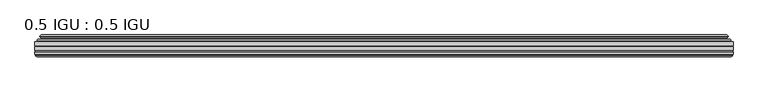
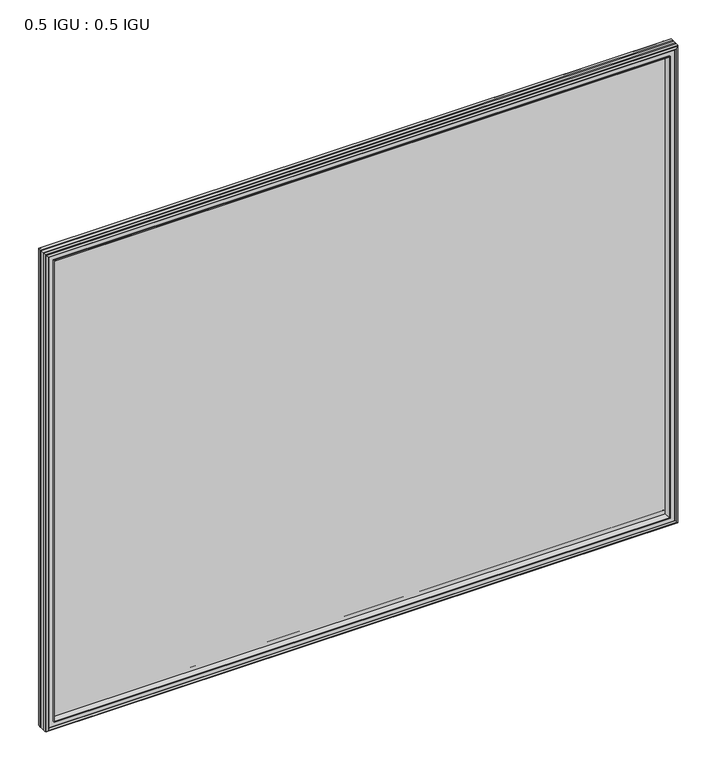
"""IFC4 building model written with IfcOpenShell, lengths in millimetres: plate geometry, 0.5 IGU : 0.5 IGU."""

from ifc_helpers import new_model, si_unit, frame, origin, place, context, project, spatial, polyline, ellipse_curve, outline, extrude, faceted_brep, source, transform, mapped, element, save
from ifc_brep_helpers import plane_surface, cylinder_surface, revolved_surface, advanced_brep


def plate_0_5_igu_0_5_igu_dd29b501(model_context):
    return source(origin(), model_context, "Body", "SolidModel", [
        extrude(outline(polyline([(547.70485, -55.82285), (547.70485, -61.48705), (-547.690675, -61.48705), (-547.690675, -55.82285), (547.70485, -55.82285)])), frame((0.0, 0.0, -14.2875), z_axis=(0.0, 0.0, 1.0), x_axis=(1.0, 0.0, 0.0)), (0.0, 0.0, 1.0), 873.1287979),
        extrude(outline(polyline([(-547.690675, -69.05625), (-547.690675, -63.39205), (547.70485, -63.39205), (547.70485, -69.05625), (-547.690675, -69.05625)])), frame((0.0, 0.0, -14.2875), z_axis=(0.0, 0.0, 1.0), x_axis=(1.0, 0.0, 0.0)), (0.0, 0.0, 1.0), 873.1287979),
        advanced_brep(
        [(-543.5881376, -54.3724927, 854.7349626), (-542.5436128, -51.60645, 853.6904378), (-542.5436128, -51.60645, -9.1404378), (-543.5881376, -54.3724927, -10.1849626), (-541.951692, -55.82285, 853.098517), (-541.951692, -55.82285, -8.548517), (-533.403175, -45.63745, 844.55), (-529.8204511, -55.82285, 840.9672761), (-529.8204511, -55.82285, 3.5827239), (-533.403175, -45.63745, 0.0), (-538.5890859, -46.8185491, 849.7359109), (-538.5890859, -46.8185491, -5.1859109), (-537.7920643, -44.8183085, 848.9388893), (-537.7920643, -44.8183085, -4.3888893), (-540.0757861, -47.135817, 851.2226111), (-540.0757861, -47.135817, -6.6726111), (-540.0757861, -47.8489429, 851.2226111), (-540.0757861, -47.8489429, -6.6726111), (-537.7920643, -50.1664515, 848.9388893), (-537.7920643, -50.1664515, -4.3888893), (-538.5814251, -48.1854367, 849.7282501), (-538.5814251, -48.1854367, -5.1782501), (-536.0576129, -48.027045, 847.2044379), (-536.0576129, -48.027045, -2.6544379), (-535.0317967, -48.7147544, 846.1786217), (-535.0317967, -48.7147544, -1.6286217), (-535.1502038, -50.1092231, 846.2970288), (-535.1502038, -50.1092231, -1.7470288), (-535.7519498, -51.60645, 846.8987748), (-535.7519498, -51.60645, -2.3487748), (542.5436128, -51.60645, -9.1404378), (543.5881376, -54.3724927, -10.1849626), (541.951692, -55.82285, -8.548517), (529.8204511, -55.82285, 3.5827239), (533.403175, -45.63745, 0.0), (538.5890859, -46.8185491, -5.1859109), (537.7920643, -44.8183085, -4.3888893), (540.0757861, -47.135817, -6.6726111), (540.0757861, -47.8489429, -6.6726111), (537.7920643, -50.1664515, -4.3888893), (538.5814251, -48.1854367, -5.1782501), (536.0576129, -48.027045, -2.6544379), (535.0317967, -48.7147544, -1.6286217), (535.1502038, -50.1092231, -1.7470288), (535.7519498, -51.60645, -2.3487748), (542.5436128, -51.60645, 853.6904378), (543.5881376, -54.3724927, 854.7349626), (541.951692, -55.82285, 853.098517), (529.8204511, -55.82285, 840.9672761), (533.403175, -45.63745, 844.55), (538.5890859, -46.8185491, 849.7359109), (537.7920643, -44.8183085, 848.9388893), (540.0757861, -47.135817, 851.2226111), (540.0757861, -47.8489429, 851.2226111), (537.7920643, -50.1664515, 848.9388893), (538.5814251, -48.1854367, 849.7282501), (536.0576129, -48.027045, 847.2044379), (535.0317967, -48.7147544, 846.1786217), (535.1502038, -50.1092231, 846.2970288), (535.7519498, -51.60645, 846.8987748)],
        [
            (0, 1, ellipse_curve(frame((-542.5352453, -53.1898501, 853.6820703), z_axis=(-0.7071067811865475, 0.0, -0.7071067811865475), x_axis=(-0.7071067811865474, 0.0, 0.7071067811865476)), 2.2392971, 1.5834222)),
            (1, 2),
            (2, 3, ellipse_curve(frame((-542.5352453, -53.1898501, -9.1320703), z_axis=(-0.7071067811865475, 0.0, 0.7071067811865475), x_axis=(0.7071067811865474, 0.0, 0.7071067811865476)), 2.2392971, 1.5834222)),
            (3, 0),
            (4, 0),
            (3, 5),
            (5, 4),
            (6, 7, ellipse_curve(frame((-501.123421, -40.0058297, 812.270246), z_axis=(0.7071067811865475, 0.0, 0.7071067811865475), x_axis=(0.7071067811865474, 0.0, -0.7071067811865476)), 46.3399971, 32.7673262)),
            (7, 8),
            (8, 9, ellipse_curve(frame((-501.123421, -40.0058297, 32.279754), z_axis=(0.7071067811865475, 0.0, -0.7071067811865475), x_axis=(-0.7071067811865474, 0.0, -0.7071067811865476)), 46.3399971, 32.7673262)),
            (9, 6),
            (10, 6),
            (9, 11),
            (11, 10),
            (12, 10),
            (11, 13),
            (13, 12),
            (14, 12),
            (13, 15),
            (15, 14),
            (16, 14, ellipse_curve(frame((-539.7139479, -47.49238, 850.8607729), z_axis=(-0.7071067811865475, 0.0, -0.7071067811865475), x_axis=(-0.7071067811865474, 0.0, 0.7071067811865476)), 0.7184205, 0.508)),
            (15, 17, ellipse_curve(frame((-539.7139479, -47.49238, -6.3107729), z_axis=(-0.7071067811865475, 0.0, 0.7071067811865475), x_axis=(0.7071067811865474, 0.0, 0.7071067811865476)), 0.7184205, 0.508)),
            (17, 16),
            (18, 16),
            (17, 19),
            (19, 18),
            (20, 18),
            (19, 21),
            (21, 20),
            (22, 20),
            (21, 23),
            (23, 22),
            (24, 22, ellipse_curve(frame((-535.993975, -49.04105, 847.1408), z_axis=(0.7071067811865475, 0.0, 0.7071067811865475), x_axis=(0.7071067811865474, 0.0, -0.7071067811865476)), 1.436841, 1.016)),
            (23, 25, ellipse_curve(frame((-535.993975, -49.04105, -2.5908), z_axis=(0.7071067811865475, 0.0, -0.7071067811865475), x_axis=(-0.7071067811865474, 0.0, -0.7071067811865476)), 1.436841, 1.016)),
            (25, 24),
            (26, 24, ellipse_curve(frame((-537.365575, -49.21885, 848.5124), z_axis=(0.7071067811865475, 0.0, 0.7071067811865475), x_axis=(0.7071067811865474, 0.0, -0.7071067811865476)), 3.3765763, 2.3876)),
            (25, 27, ellipse_curve(frame((-537.365575, -49.21885, -3.9624), z_axis=(0.7071067811865475, 0.0, -0.7071067811865475), x_axis=(-0.7071067811865474, 0.0, -0.7071067811865476)), 3.3765763, 2.3876)),
            (27, 26),
            (28, 26),
            (27, 29),
            (29, 28),
            (2, 30),
            (30, 31, ellipse_curve(frame((542.5352453, -53.1898501, -9.1320703), z_axis=(-0.7071067811865475, 0.0, -0.7071067811865475), x_axis=(-0.7071067811865476, 0.0, 0.7071067811865474)), 2.2392971, 1.5834222)),
            (31, 3),
            (31, 32),
            (32, 5),
            (8, 33),
            (33, 34, ellipse_curve(frame((501.123421, -40.0058297, 32.279754), z_axis=(0.7071067811865475, 0.0, 0.7071067811865475), x_axis=(0.7071067811865476, 0.0, -0.7071067811865474)), 46.3399971, 32.7673262)),
            (34, 9),
            (34, 35),
            (35, 11),
            (35, 36),
            (36, 13),
            (36, 37),
            (37, 15),
            (37, 38, ellipse_curve(frame((539.7139479, -47.49238, -6.3107729), z_axis=(-0.7071067811865475, 0.0, -0.7071067811865475), x_axis=(-0.7071067811865476, 0.0, 0.7071067811865474)), 0.7184205, 0.508)),
            (38, 17),
            (38, 39),
            (39, 19),
            (39, 40),
            (40, 21),
            (40, 41),
            (41, 23),
            (41, 42, ellipse_curve(frame((535.993975, -49.04105, -2.5908), z_axis=(0.7071067811865475, 0.0, 0.7071067811865475), x_axis=(0.7071067811865476, 0.0, -0.7071067811865474)), 1.436841, 1.016)),
            (42, 25),
            (42, 43, ellipse_curve(frame((537.365575, -49.21885, -3.9624), z_axis=(0.7071067811865475, 0.0, 0.7071067811865475), x_axis=(0.7071067811865476, 0.0, -0.7071067811865474)), 3.3765763, 2.3876)),
            (43, 27),
            (43, 44),
            (44, 29),
            (30, 45),
            (45, 46, ellipse_curve(frame((542.5352453, -53.1898501, 853.6820703), z_axis=(0.7071067811865475, 0.0, -0.7071067811865475), x_axis=(-0.7071067811865474, 0.0, -0.7071067811865476)), 2.2392971, 1.5834222)),
            (46, 31),
            (46, 47),
            (47, 32),
            (33, 48),
            (48, 49, ellipse_curve(frame((501.123421, -40.0058297, 812.270246), z_axis=(-0.7071067811865475, 0.0, 0.7071067811865475), x_axis=(0.7071067811865474, 0.0, 0.7071067811865476)), 46.3399971, 32.7673262)),
            (49, 34),
            (49, 50),
            (50, 35),
            (50, 51),
            (51, 36),
            (51, 52),
            (52, 37),
            (52, 53, ellipse_curve(frame((539.7139479, -47.49238, 850.8607729), z_axis=(0.7071067811865475, 0.0, -0.7071067811865475), x_axis=(-0.7071067811865474, 0.0, -0.7071067811865476)), 0.7184205, 0.508)),
            (53, 38),
            (53, 54),
            (54, 39),
            (54, 55),
            (55, 40),
            (55, 56),
            (56, 41),
            (56, 57, ellipse_curve(frame((535.993975, -49.04105, 847.1408), z_axis=(-0.7071067811865475, 0.0, 0.7071067811865475), x_axis=(0.7071067811865474, 0.0, 0.7071067811865476)), 1.436841, 1.016)),
            (57, 42),
            (57, 58, ellipse_curve(frame((537.365575, -49.21885, 848.5124), z_axis=(-0.7071067811865475, 0.0, 0.7071067811865475), x_axis=(0.7071067811865474, 0.0, 0.7071067811865476)), 3.3765763, 2.3876)),
            (58, 43),
            (58, 59),
            (59, 44),
            (45, 1),
            (0, 46),
            (4, 47),
            (7, 48),
            (6, 49),
            (10, 50),
            (12, 51),
            (14, 52),
            (16, 53),
            (18, 54),
            (20, 55),
            (22, 56),
            (24, 57),
            (26, 58),
            (28, 59),
        ],
        [
            cylinder_surface(frame((-542.5352453, -53.1898501, 876.3), z_axis=(0.0, 0.0, 1.0), x_axis=(-1.0, 0.0, 0.0)), 1.5834222),
            plane_surface(frame((-543.5881376, -54.3724927, 854.7349626), z_axis=(-0.6632745773184306, -0.7483761320907135, 0.0), x_axis=(0.0, 0.0, -1.0))),
            revolved_surface(polyline([(-533.8907472, -40.0058297, -0.48757218957496207), (-533.8907472, -40.0058297, 845.037572189575)]), (-501.123421, -40.0058297, 876.3), (0.0, 0.0, -1.0)),
            plane_surface(frame((-533.403175, -45.63745, 844.55), z_axis=(-0.22206498442787428, 0.975031867525902, 0.0), x_axis=(0.0, 0.0, -1.0))),
            plane_surface(frame((-538.5890859, -46.8185491, 849.7359109), z_axis=(0.928968268563027, -0.37015936568323066, 0.0), x_axis=(0.0, 0.0, -1.0))),
            plane_surface(frame((-537.7920643, -44.8183085, 848.9388893), z_axis=(-0.7122798501733482, 0.7018955869907096, 0.0), x_axis=(0.0, 0.0, -1.0))),
            cylinder_surface(frame((-539.7139479, -47.49238, 876.3), z_axis=(0.0, 0.0, 1.0), x_axis=(-1.0, 0.0, 0.0)), 0.508),
            plane_surface(frame((-540.0757861, -47.8489429, 851.2226111), z_axis=(-0.7122798501732925, -0.701895586990766, 0.0), x_axis=(0.0, 0.0, -1.0))),
            plane_surface(frame((-537.7920643, -50.1664515, 848.9388893), z_axis=(0.9289682685628707, 0.3701593656836228, 0.0), x_axis=(0.0, 0.0, -1.0))),
            plane_surface(frame((-538.5814251, -48.1854367, 849.7282501), z_axis=(0.06263570119284978, -0.9980364567169279, 0.0), x_axis=(0.0, 0.0, -1.0))),
            revolved_surface(polyline([(-537.0099749999999, -49.04105, -3.606800014586838), (-537.0099749999999, -49.04105, 848.1568000145869)]), (-535.993975, -49.04105, 876.3), (0.0, 0.0, -1.0)),
            revolved_surface(polyline([(-539.753175, -49.21885, -6.3499999989237494), (-539.753175, -49.21885, 850.8999999989237)]), (-537.365575, -49.21885, 876.3), (0.0, 0.0, -1.0)),
            plane_surface(frame((-535.1502038, -50.1092231, 846.2970288), z_axis=(-0.9278652925428184, 0.3729155385532094, 0.0), x_axis=(0.0, 0.0, -1.0))),
            cylinder_surface(frame((-565.153175, -53.1898501, -9.1320703), z_axis=(-1.0, 0.0, 0.0), x_axis=(0.0, 0.0, -1.0)), 1.5834222),
            plane_surface(frame((-543.5881376, -54.3724927, -10.1849626), z_axis=(0.0, -0.7483761320907157, -0.6632745773184283), x_axis=(1.0, 0.0, 0.0))),
            revolved_surface(polyline([(533.8907471895751, -40.0058297, -0.48757220000000245), (-533.890747189575, -40.0058297, -0.48757220000000245)]), (-565.153175, -40.0058297, 32.279754), (1.0, 0.0, 0.0)),
            plane_surface(frame((-533.403175, -45.63745, 0.0), z_axis=(0.0, 0.9750318675259013, -0.22206498442787745), x_axis=(1.0, 0.0, 0.0))),
            plane_surface(frame((-538.5890859, -46.8185491, -5.1859109), z_axis=(0.0, -0.37015936568322766, 0.9289682685630283), x_axis=(1.0, 0.0, 0.0))),
            plane_surface(frame((-537.7920643, -44.8183085, -4.3888893), z_axis=(0.0, 0.7018955869907073, -0.7122798501733504), x_axis=(1.0, 0.0, 0.0))),
            cylinder_surface(frame((-565.153175, -47.49238, -6.3107729), z_axis=(-1.0, 0.0, 0.0), x_axis=(0.0, 0.0, -1.0)), 0.508),
            plane_surface(frame((-540.0757861, -47.8489429, -6.6726111), z_axis=(0.0, -0.7018955869907684, -0.7122798501732903), x_axis=(1.0, 0.0, 0.0))),
            plane_surface(frame((-537.7920643, -50.1664515, -4.3888893), z_axis=(0.0, 0.37015936568362584, 0.9289682685628696), x_axis=(1.0, 0.0, 0.0))),
            plane_surface(frame((-538.5814251, -48.1854367, -5.1782501), z_axis=(0.0, -0.9980364567169276, 0.06263570119285301), x_axis=(1.0, 0.0, 0.0))),
            revolved_surface(polyline([(537.0099750145868, -49.04105, -3.6068000000000002), (-537.0099750145869, -49.04105, -3.6068000000000002)]), (-565.153175, -49.04105, -2.5908), (1.0, 0.0, 0.0)),
            revolved_surface(polyline([(539.753174998924, -49.21885, -6.35), (-539.7531749989238, -49.21885, -6.35)]), (-565.153175, -49.21885, -3.9624), (1.0, 0.0, 0.0)),
            plane_surface(frame((-535.1502038, -50.1092231, -1.7470288), z_axis=(0.0, 0.3729155385532064, -0.9278652925428196), x_axis=(1.0, 0.0, 0.0))),
            cylinder_surface(frame((542.5352453, -53.1898501, -31.75), z_axis=(0.0, 0.0, -1.0), x_axis=(1.0, 0.0, 0.0)), 1.5834222),
            plane_surface(frame((543.5881376, -54.3724927, -10.1849626), z_axis=(0.6632745773184259, -0.7483761320907178, 0.0), x_axis=(0.0, 0.0, 1.0))),
            revolved_surface(polyline([(533.8907472, -40.0058297, 845.037572189575), (533.8907472, -40.0058297, -0.48757218957494075)]), (501.123421, -40.0058297, -31.75), (0.0, 0.0, 1.0)),
            plane_surface(frame((533.403175, -45.63745, 0.0), z_axis=(0.22206498442788059, 0.9750318675259005, 0.0), x_axis=(0.0, 0.0, 1.0))),
            plane_surface(frame((538.5890859, -46.8185491, -5.1859109), z_axis=(-0.9289682685630295, -0.37015936568322466, 0.0), x_axis=(0.0, 0.0, 1.0))),
            plane_surface(frame((537.7920643, -44.8183085, -4.3888893), z_axis=(0.7122798501733526, 0.701895586990705, 0.0), x_axis=(0.0, 0.0, 1.0))),
            cylinder_surface(frame((539.7139479, -47.49238, -31.75), z_axis=(0.0, 0.0, -1.0), x_axis=(1.0, 0.0, 0.0)), 0.508),
            plane_surface(frame((540.0757861, -47.8489429, -6.6726111), z_axis=(0.712279850173288, -0.7018955869907706, 0.0), x_axis=(0.0, 0.0, 1.0))),
            plane_surface(frame((537.7920643, -50.1664515, -4.3888893), z_axis=(-0.9289682685628684, 0.37015936568362884, 0.0), x_axis=(0.0, 0.0, 1.0))),
            plane_surface(frame((538.5814251, -48.1854367, -5.1782501), z_axis=(-0.06263570119285625, -0.9980364567169274, 0.0), x_axis=(0.0, 0.0, 1.0))),
            revolved_surface(polyline([(537.0099749999999, -49.04105, 848.1568000145869), (537.0099749999999, -49.04105, -3.606800014586863)]), (535.993975, -49.04105, -31.75), (0.0, 0.0, 1.0)),
            revolved_surface(polyline([(539.753175, -49.21885, 850.8999999989237), (539.753175, -49.21885, -6.349999998923781)]), (537.365575, -49.21885, -31.75), (0.0, 0.0, 1.0)),
            plane_surface(frame((535.1502038, -50.1092231, -1.7470288), z_axis=(0.9278652925428208, 0.3729155385532034, 0.0), x_axis=(0.0, 0.0, 1.0))),
            cylinder_surface(frame((565.153175, -53.1898501, 853.6820703), z_axis=(1.0, 0.0, 0.0), x_axis=(0.0, 0.0, 1.0)), 1.5834222),
            plane_surface(frame((543.5881376, -54.3724927, 854.7349626), z_axis=(0.0, -0.7483761320907157, 0.6632745773184283), x_axis=(-1.0, 0.0, 0.0))),
            plane_surface(frame((541.951692, -55.82285, 853.098517), z_axis=(0.0, -1.0, 0.0), x_axis=(-1.0, 0.0, 0.0))),
            revolved_surface(polyline([(-533.8907471895751, -40.0058297, 845.0375722), (533.890747189575, -40.0058297, 845.0375722)]), (565.153175, -40.0058297, 812.270246), (-1.0, 0.0, 0.0)),
            plane_surface(frame((533.403175, -45.63745, 844.55), z_axis=(0.0, 0.9750318675259012, 0.22206498442787742), x_axis=(-1.0, 0.0, 0.0))),
            plane_surface(frame((538.5890859, -46.8185491, 849.7359109), z_axis=(0.0, -0.37015936568322766, -0.9289682685630283), x_axis=(-1.0, 0.0, 0.0))),
            plane_surface(frame((537.7920643, -44.8183085, 848.9388893), z_axis=(0.0, 0.7018955869907073, 0.7122798501733504), x_axis=(-1.0, 0.0, 0.0))),
            cylinder_surface(frame((565.153175, -47.49238, 850.8607729), z_axis=(1.0, 0.0, 0.0), x_axis=(0.0, 0.0, 1.0)), 0.508),
            plane_surface(frame((540.0757861, -47.8489429, 851.2226111), z_axis=(0.0, -0.7018955869907684, 0.7122798501732903), x_axis=(-1.0, 0.0, 0.0))),
            plane_surface(frame((537.7920643, -50.1664515, 848.9388893), z_axis=(0.0, 0.37015936568362584, -0.9289682685628696), x_axis=(-1.0, 0.0, 0.0))),
            plane_surface(frame((538.5814251, -48.1854367, 849.7282501), z_axis=(0.0, -0.9980364567169276, -0.06263570119285301), x_axis=(-1.0, 0.0, 0.0))),
            revolved_surface(polyline([(-537.0099750145868, -49.04105, 848.1568), (537.0099750145869, -49.04105, 848.1568)]), (565.153175, -49.04105, 847.1408), (-1.0, 0.0, 0.0)),
            revolved_surface(polyline([(-539.753174998924, -49.21885, 850.9), (539.7531749989238, -49.21885, 850.9)]), (565.153175, -49.21885, 848.5124), (-1.0, 0.0, 0.0)),
            plane_surface(frame((535.1502038, -50.1092231, 846.2970288), z_axis=(0.0, 0.3729155385532064, 0.9278652925428196), x_axis=(-1.0, 0.0, 0.0))),
            plane_surface(frame((535.7519498, -51.60645, 846.8987748), z_axis=(0.0, 1.0, 0.0), x_axis=(-1.0, 0.0, 0.0))),
        ],
        [
            (0, [[1, 2, 3, 4]]),
            (1, [[5, -4, 6, 7]]),
            (2, [[8, 9, 10, 11]]),
            (3, [[12, -11, 13, 14]]),
            (4, [[15, -14, 16, 17]]),
            (5, [[18, -17, 19, 20]]),
            (6, [[21, -20, 22, 23]]),
            (7, [[24, -23, 25, 26]]),
            (8, [[27, -26, 28, 29]]),
            (9, [[30, -29, 31, 32]]),
            (10, [[33, -32, 34, 35]]),
            (11, [[36, -35, 37, 38]]),
            (12, [[39, -38, 40, 41]]),
            (13, [[-3, 42, 43, 44]]),
            (14, [[-6, -44, 45, 46]]),
            (15, [[-10, 47, 48, 49]]),
            (16, [[-13, -49, 50, 51]]),
            (17, [[-16, -51, 52, 53]]),
            (18, [[-19, -53, 54, 55]]),
            (19, [[-22, -55, 56, 57]]),
            (20, [[-25, -57, 58, 59]]),
            (21, [[-28, -59, 60, 61]]),
            (22, [[-31, -61, 62, 63]]),
            (23, [[-34, -63, 64, 65]]),
            (24, [[-37, -65, 66, 67]]),
            (25, [[-40, -67, 68, 69]]),
            (26, [[-43, 70, 71, 72]]),
            (27, [[-45, -72, 73, 74]]),
            (28, [[-48, 75, 76, 77]]),
            (29, [[-50, -77, 78, 79]]),
            (30, [[-52, -79, 80, 81]]),
            (31, [[-54, -81, 82, 83]]),
            (32, [[-56, -83, 84, 85]]),
            (33, [[-58, -85, 86, 87]]),
            (34, [[-60, -87, 88, 89]]),
            (35, [[-62, -89, 90, 91]]),
            (36, [[-64, -91, 92, 93]]),
            (37, [[-66, -93, 94, 95]]),
            (38, [[-68, -95, 96, 97]]),
            (39, [[-71, 98, -1, 99]]),
            (40, [[-73, -99, -5, 100]]),
            (41, [[-46, -74, -100, -7], [101, -75, -47, -9]]),
            (42, [[-76, -101, -8, 102]]),
            (43, [[-78, -102, -12, 103]]),
            (44, [[-80, -103, -15, 104]]),
            (45, [[-82, -104, -18, 105]]),
            (46, [[-84, -105, -21, 106]]),
            (47, [[-86, -106, -24, 107]]),
            (48, [[-88, -107, -27, 108]]),
            (49, [[-90, -108, -30, 109]]),
            (50, [[-92, -109, -33, 110]]),
            (51, [[-94, -110, -36, 111]]),
            (52, [[-96, -111, -39, 112]]),
            (53, [[-98, -70, -42, -2], [-69, -97, -112, -41]]),
        ],
    ),
        faceted_brep([(-529.5489577, -69.05625, 840.6957827), (-532.1152548, -77.94625, 843.2620798), (-532.1152548, -77.94625, 1.2879202), (-529.5489577, -69.05625, 3.8542173), (-547.703375, -71.2633102, 858.8502), (-545.4963148, -69.05625, 856.6431398), (-545.4963148, -69.05625, -12.0931398), (-547.703375, -71.2633102, -14.3002), (-547.703375, -75.40625, 858.8502), (-547.703375, -75.40625, -14.3002), (-545.2843525, -76.58989, 856.4311775), (-546.153975, -75.40625, 857.3008), (-546.153975, -75.40625, -12.7508), (-545.2843525, -76.58989, -11.8811775), (-545.087175, -77.8875884, 856.234), (-545.087175, -77.8875884, -11.684), (-546.062835, -77.3578917, 857.20966), (-546.062835, -77.3578917, -12.65966), (-544.528375, -79.1749663, 855.6752), (-546.8555055, -77.3578917, 858.0023305), (-546.8555055, -77.3578917, -13.4523305), (-544.528375, -79.1749663, -11.1252), (-542.2012445, -77.3578917, 853.3480695), (-542.2012445, -77.3578917, -8.7980695), (-543.969575, -77.8875884, 855.1164), (-542.993915, -77.3578917, 854.14074), (-542.993915, -77.3578917, -9.59074), (-543.969575, -77.8875884, -10.5664), (-543.7723975, -76.58989, 854.9192225), (-543.7723975, -76.58989, -10.3692225), (-542.902775, -75.40625, 854.0496), (-542.902775, -75.40625, -9.4996), (-533.7545417, -77.94625, 844.9013667), (-533.225375, -75.40625, 844.3722), (-533.225375, -75.40625, 0.1778), (-533.7545417, -77.94625, -0.3513667), (532.1152548, -77.94625, 1.2879202), (529.5489577, -69.05625, 3.8542173), (545.4963148, -69.05625, -12.0931398), (547.703375, -71.2633102, -14.3002), (547.703375, -75.40625, -14.3002), (546.153975, -75.40625, -12.7508), (545.2843525, -76.58989, -11.8811775), (545.087175, -77.8875884, -11.684), (546.062835, -77.3578917, -12.65966), (546.8555055, -77.3578917, -13.4523305), (544.528375, -79.1749663, -11.1252), (542.2012445, -77.3578917, -8.7980695), (542.993915, -77.3578917, -9.59074), (543.969575, -77.8875884, -10.5664), (543.7723975, -76.58989, -10.3692225), (542.902775, -75.40625, -9.4996), (533.225375, -75.40625, 0.1778), (533.7545417, -77.94625, -0.3513667), (532.1152548, -77.94625, 843.2620798), (529.5489577, -69.05625, 840.6957827), (545.4963148, -69.05625, 856.6431398), (547.703375, -71.2633102, 858.8502), (547.703375, -75.40625, 858.8502), (546.153975, -75.40625, 857.3008), (545.2843525, -76.58989, 856.4311775), (545.087175, -77.8875884, 856.234), (546.062835, -77.3578917, 857.20966), (546.8555055, -77.3578917, 858.0023305), (544.528375, -79.1749663, 855.6752), (542.2012445, -77.3578917, 853.3480695), (542.993915, -77.3578917, 854.14074), (543.969575, -77.8875884, 855.1164), (543.7723975, -76.58989, 854.9192225), (542.902775, -75.40625, 854.0496), (533.225375, -75.40625, 844.3722), (533.7545417, -77.94625, 844.9013667)], [[[0, 1, 2, 3]], [[4, 5, 6, 7]], [[8, 4, 7, 9]], [[10, 11, 12, 13]], [[14, 10, 13, 15]], [[16, 14, 15, 17]], [[18, 19, 20, 21]], [[22, 18, 21, 23]], [[24, 25, 26, 27]], [[28, 24, 27, 29]], [[30, 28, 29, 31]], [[32, 33, 34, 35]], [[3, 2, 36, 37]], [[7, 6, 38, 39]], [[9, 7, 39, 40]], [[13, 12, 41, 42]], [[15, 13, 42, 43]], [[17, 15, 43, 44]], [[21, 20, 45, 46]], [[23, 21, 46, 47]], [[27, 26, 48, 49]], [[29, 27, 49, 50]], [[31, 29, 50, 51]], [[35, 34, 52, 53]], [[37, 36, 54, 55]], [[39, 38, 56, 57]], [[40, 39, 57, 58]], [[42, 41, 59, 60]], [[43, 42, 60, 61]], [[44, 43, 61, 62]], [[46, 45, 63, 64]], [[47, 46, 64, 65]], [[49, 48, 66, 67]], [[50, 49, 67, 68]], [[51, 50, 68, 69]], [[53, 52, 70, 71]], [[55, 54, 1, 0]], [[5, 56, 38, 6], [3, 37, 55, 0]], [[57, 56, 5, 4]], [[58, 57, 4, 8]], [[9, 40, 58, 8], [11, 59, 41, 12]], [[60, 59, 11, 10]], [[61, 60, 10, 14]], [[62, 61, 14, 16]], [[19, 63, 45, 20], [17, 44, 62, 16]], [[64, 63, 19, 18]], [[65, 64, 18, 22]], [[25, 66, 48, 26], [23, 47, 65, 22]], [[67, 66, 25, 24]], [[68, 67, 24, 28]], [[69, 68, 28, 30]], [[31, 51, 69, 30], [33, 70, 52, 34]], [[71, 70, 33, 32]], [[35, 53, 71, 32], [1, 54, 36, 2]]]),
    ])


if __name__ == "__main__":
    model = new_model("IFC4")
    model_context = context("Model", 3, world=origin())
    ifc_project = project(units=[si_unit("LENGTHUNIT", "METRE", prefix="MILLI")], contexts=[model_context])
    site = spatial("IfcSite", under=ifc_project)
    building = spatial("IfcBuilding", under=site)
    placement = place(None, origin())
    plate_0_5_igu_0_5_igu_shape = plate_0_5_igu_0_5_igu_dd29b501(model_context)
    element("IfcPlate", 1, ObjectType="0.5 IGU : 0.5 IGU", at=placement, inside=building, context=model_context, shape_type="MappedRepresentation", body=[
        mapped(plate_0_5_igu_0_5_igu_shape, transform((0.0, 0.0, 0.0), x_axis=(1.0, 0.0, 0.0), y_axis=(0.0, 1.0, 0.0), z_axis=(0.0, 0.0, 1.0))),
    ])
    save(model, "model.ifc")
